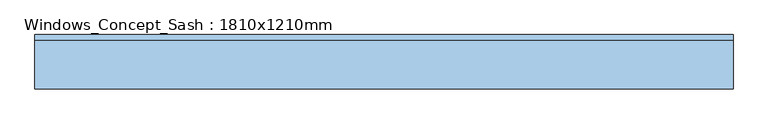
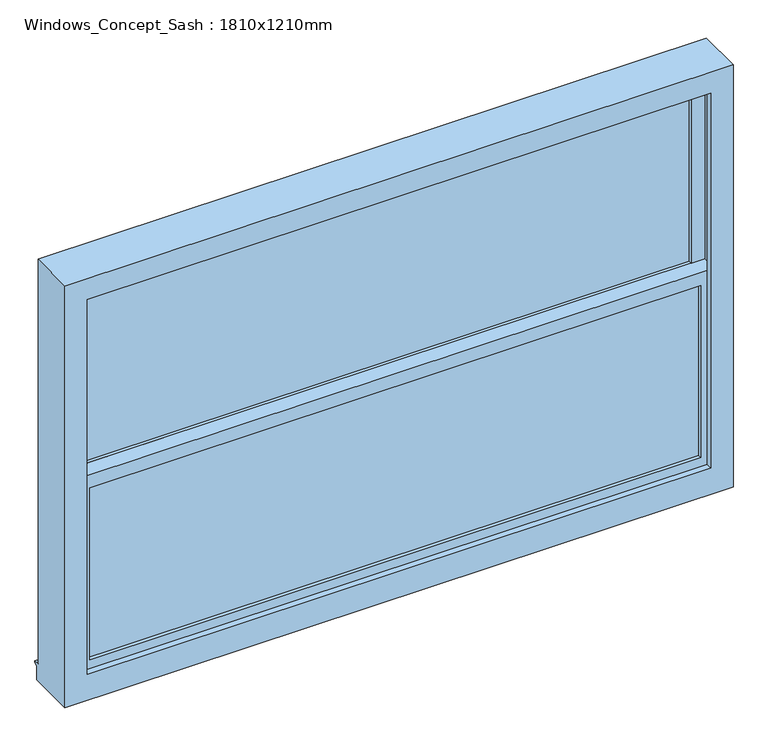
"""IFC4 building model written with IfcOpenShell, lengths in millimetres: window geometry, Windows_Concept_Sash : 1810x1210mm."""

from ifc_helpers import new_model, si_unit, frame, origin, place, context, project, spatial, polyline, outline, extrude, faceted_brep, source, transform, mapped, element, save


def windows_concept_sash_1810x1210mm_5f469acb(model_context):
    return source(origin(), model_context, "Body", "SolidModel", [
        extrude(outline(polyline([(552.9289322, 136.4565678), (-1122.9289322, 136.4565678), (-1122.9289322, 160.4565678), (552.9289322, 160.4565678), (552.9289322, 136.4565678)])), frame((0.0, 0.0, 1519.5710678), z_axis=(0.0, 0.0, 1.0), x_axis=(1.0, 0.0, 0.0)), (0.0, 0.0, 1.0), 523.3578644),
        extrude(outline(polyline([(552.9289322, 91.4565678), (-1122.9289322, 91.4565678), (-1122.9289322, 115.4565678), (552.9289322, 115.4565678), (552.9289322, 91.4565678)])), frame((0.0, 0.0, 990.0710678), z_axis=(0.0, 0.0, 1.0), x_axis=(1.0, 0.0, 0.0)), (0.0, 0.0, 1.0), 512.8578644),
        faceted_brep([(-1190.0, 62.9565678, 900.0), (620.0, 62.9565678, 900.0), (620.0, 62.9565678, 2110.0), (-1190.0, 62.9565678, 2110.0), (-1130.0, 62.9565678, 2050.0), (560.0, 62.9565678, 2050.0), (560.0, 62.9565678, 975.0), (-1130.0, 62.9565678, 975.0), (-1190.0, 188.9565678, 2110.0), (-1190.0, 188.9565678, 951.0), (-1190.0, 203.9565678, 950.2709278), (-1190.0, 203.9565678, 946.5550779), (-1190.0, 195.9565678, 939.352342), (-1190.0, 195.9565678, 900.0), (620.0, 188.9565678, 2110.0), (620.0, 188.9565678, 951.0), (-1130.0, 188.9565678, 2050.0), (-1130.0, 188.9565678, 963.0), (560.0, 188.9565678, 963.0), (560.0, 188.9565678, 2050.0), (-1130.0, 170.9565678, 2050.0), (-1130.0, 170.9565678, 963.0), (560.0, 170.9565678, 2050.0), (560.0, 170.9565678, 963.0), (580.0, 170.9565678, 963.0), (580.0, 170.9565678, 2070.0), (-1150.0, 170.9565678, 2070.0), (-1150.0, 170.9565678, 963.0), (-1150.0, 80.9565678, 2070.0), (-1150.0, 80.9565678, 963.0), (580.0, 80.9565678, 2070.0), (580.0, 80.9565678, 963.0), (-1130.0, 80.9565678, 2050.0), (-1130.0, 80.9565678, 975.0), (560.0, 80.9565678, 975.0), (560.0, 80.9565678, 2050.0), (620.0, 195.9565678, 900.0), (620.0, 195.9565678, 939.352342), (620.0, 203.9565678, 946.5550779), (620.0, 203.9565678, 950.2709278)], [[[0, 1, 2, 3], [4, 5, 6, 7]], [[0, 3, 8, 9, 10, 11, 12, 13]], [[9, 8, 14, 15], [16, 17, 18, 19]], [[17, 16, 20, 21]], [[21, 20, 22, 23, 24, 25, 26, 27]], [[27, 26, 28, 29]], [[28, 30, 31, 29], [32, 33, 34, 35]], [[32, 4, 7, 33]], [[3, 2, 14, 8]], [[16, 19, 22, 20]], [[26, 25, 30, 28]], [[5, 4, 32, 35]], [[15, 14, 2, 1, 36, 37, 38, 39]], [[19, 18, 23, 22]], [[25, 24, 31, 30]], [[5, 35, 34, 6]], [[36, 1, 0, 13]], [[37, 36, 13, 12]], [[38, 37, 12, 11]], [[39, 38, 11, 10]], [[15, 39, 10, 9]], [[29, 31, 24, 23, 18, 17, 21, 27]], [[7, 6, 34, 33]]]),
        faceted_brep([(-1150.0, 125.9565678, 2070.0), (-1150.0, 170.9565678, 2070.0), (-1150.0, 170.9565678, 1492.5), (-1150.0, 125.9565678, 1492.5), (-1112.9289322, 136.4565678, 2032.9289322), (-1112.9289322, 125.9565678, 2032.9289322), (-1112.9289322, 125.9565678, 1529.5710678), (-1112.9289322, 136.4565678, 1529.5710678), (-1122.9289322, 160.4565678, 2042.9289322), (-1122.9289322, 136.4565678, 2042.9289322), (-1122.9289322, 136.4565678, 1519.5710678), (-1122.9289322, 160.4565678, 1519.5710678), (-1112.9289322, 170.9565678, 2032.9289322), (-1112.9289322, 160.4565678, 2032.9289322), (-1112.9289322, 160.4565678, 1529.5710678), (-1112.9289322, 170.9565678, 1529.5710678), (580.0, 170.9565678, 1492.5), (580.0, 125.9565678, 1492.5), (542.9289322, 125.9565678, 1529.5710678), (542.9289322, 136.4565678, 1529.5710678), (552.9289322, 136.4565678, 1519.5710678), (552.9289322, 160.4565678, 1519.5710678), (542.9289322, 160.4565678, 1529.5710678), (542.9289322, 170.9565678, 1529.5710678), (580.0, 170.9565678, 2070.0), (580.0, 125.9565678, 2070.0), (542.9289322, 125.9565678, 2032.9289322), (542.9289322, 136.4565678, 2032.9289322), (552.9289322, 136.4565678, 2042.9289322), (552.9289322, 160.4565678, 2042.9289322), (542.9289322, 160.4565678, 2032.9289322), (542.9289322, 170.9565678, 2032.9289322)], [[[0, 1, 2, 3]], [[4, 5, 6, 7]], [[8, 9, 10, 11]], [[12, 13, 14, 15]], [[3, 2, 16, 17]], [[7, 6, 18, 19]], [[11, 10, 20, 21]], [[15, 14, 22, 23]], [[17, 16, 24, 25]], [[19, 18, 26, 27]], [[21, 20, 28, 29]], [[23, 22, 30, 31]], [[25, 24, 1, 0]], [[3, 17, 25, 0], [5, 26, 18, 6]], [[27, 26, 5, 4]], [[9, 28, 20, 10], [7, 19, 27, 4]], [[29, 28, 9, 8]], [[11, 21, 29, 8], [13, 30, 22, 14]], [[31, 30, 13, 12]], [[1, 24, 16, 2], [15, 23, 31, 12]]]),
        faceted_brep([(-1150.0, 80.9565678, 1530.0), (-1150.0, 125.9565678, 1530.0), (-1150.0, 125.9565678, 963.0), (-1150.0, 80.9565678, 963.0), (-1112.9289322, 91.4565678, 1492.9289322), (-1112.9289322, 80.9565678, 1492.9289322), (-1112.9289322, 80.9565678, 1000.0710678), (-1112.9289322, 91.4565678, 1000.0710678), (-1122.9289322, 115.4565678, 1502.9289322), (-1122.9289322, 91.4565678, 1502.9289322), (-1122.9289322, 91.4565678, 990.0710678), (-1122.9289322, 115.4565678, 990.0710678), (-1112.9289322, 125.9565678, 1492.9289322), (-1112.9289322, 115.4565678, 1492.9289322), (-1112.9289322, 115.4565678, 1000.0710678), (-1112.9289322, 125.9565678, 1000.0710678), (580.0, 125.9565678, 963.0), (580.0, 80.9565678, 963.0), (542.9289322, 80.9565678, 1000.0710678), (542.9289322, 91.4565678, 1000.0710678), (552.9289322, 91.4565678, 990.0710678), (552.9289322, 115.4565678, 990.0710678), (542.9289322, 115.4565678, 1000.0710678), (542.9289322, 125.9565678, 1000.0710678), (580.0, 125.9565678, 1530.0), (580.0, 80.9565678, 1530.0), (542.9289322, 80.9565678, 1492.9289322), (542.9289322, 91.4565678, 1492.9289322), (552.9289322, 91.4565678, 1502.9289322), (552.9289322, 115.4565678, 1502.9289322), (542.9289322, 115.4565678, 1492.9289322), (542.9289322, 125.9565678, 1492.9289322)], [[[0, 1, 2, 3]], [[4, 5, 6, 7]], [[8, 9, 10, 11]], [[12, 13, 14, 15]], [[3, 2, 16, 17]], [[7, 6, 18, 19]], [[11, 10, 20, 21]], [[15, 14, 22, 23]], [[17, 16, 24, 25]], [[19, 18, 26, 27]], [[21, 20, 28, 29]], [[23, 22, 30, 31]], [[25, 24, 1, 0]], [[3, 17, 25, 0], [5, 26, 18, 6]], [[27, 26, 5, 4]], [[9, 28, 20, 10], [7, 19, 27, 4]], [[29, 28, 9, 8]], [[11, 21, 29, 8], [13, 30, 22, 14]], [[31, 30, 13, 12]], [[1, 24, 16, 2], [15, 23, 31, 12]]]),
    ])


if __name__ == "__main__":
    model = new_model("IFC4")
    model_context = context("Model", 3, world=origin())
    ifc_project = project(units=[si_unit("LENGTHUNIT", "METRE", prefix="MILLI")], contexts=[model_context])
    site = spatial("IfcSite", under=ifc_project)
    building = spatial("IfcBuilding", under=site)
    placement = place(None, origin())
    windows_concept_sash_1810x1210mm_shape = windows_concept_sash_1810x1210mm_5f469acb(model_context)
    element("IfcWindow", 1, ObjectType="Windows_Concept_Sash : 1810x1210mm", at=placement, inside=building, context=model_context, shape_type="MappedRepresentation", body=[
        mapped(windows_concept_sash_1810x1210mm_shape, transform((0.0, 0.0, 0.0), x_axis=(1.0, 0.0, 0.0), y_axis=(0.0, 1.0, 0.0), z_axis=(0.0, 0.0, 1.0))),
    ])
    save(model, "model.ifc")
